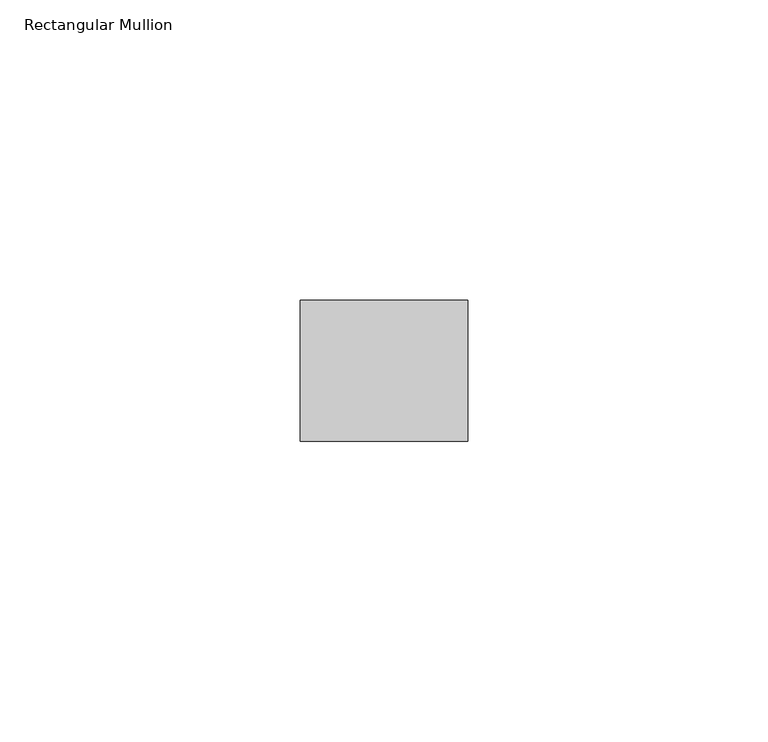
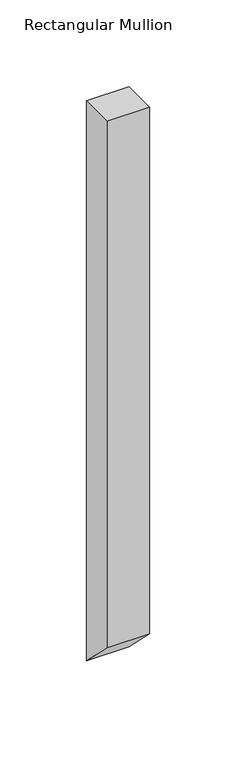
"""IFC4 building model written with IfcOpenShell, lengths in millimetres: member geometry, Rectangular Mullion."""

from ifc_helpers import new_model, si_unit, frame, origin, place, context, project, spatial, polyline, outline, extrude, source, transform, mapped, element, save


def rectangular_mullion_5141775b(model_context):
    return source(origin(), model_context, "Body", "SweptSolid", [
        extrude(outline(polyline([(-11.7474999, 0.0), (11.7474999, 0.0), (11.7474999, -392.8292125), (-11.7474999, -369.3342126), (-11.7474999, 0.0)])), frame((-27.94, 0.0, 0.0), z_axis=(1.0, 0.0, 0.0), x_axis=(0.0, 1.0, 0.0)), (0.0, 0.0, 1.0), 27.94),
    ])


if __name__ == "__main__":
    model = new_model("IFC4")
    model_context = context("Model", 3, world=origin())
    ifc_project = project(units=[si_unit("LENGTHUNIT", "METRE", prefix="MILLI")], contexts=[model_context])
    site = spatial("IfcSite", under=ifc_project)
    building = spatial("IfcBuilding", under=site)
    placement = place(None, origin())
    rectangular_mullion_shape = rectangular_mullion_5141775b(model_context)
    element("IfcMember", 1, ObjectType="Rectangular Mullion", at=placement, inside=building, context=model_context, shape_type="MappedRepresentation", body=[
        mapped(rectangular_mullion_shape, transform((0.0, 0.0, 0.0), x_axis=(1.0, 0.0, 0.0), y_axis=(0.0, 1.0, 0.0), z_axis=(0.0, 0.0, 1.0))),
    ])
    save(model, "model.ifc")
